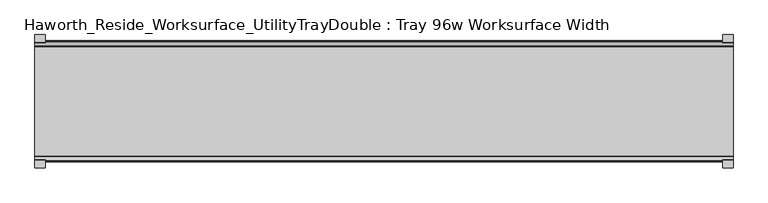
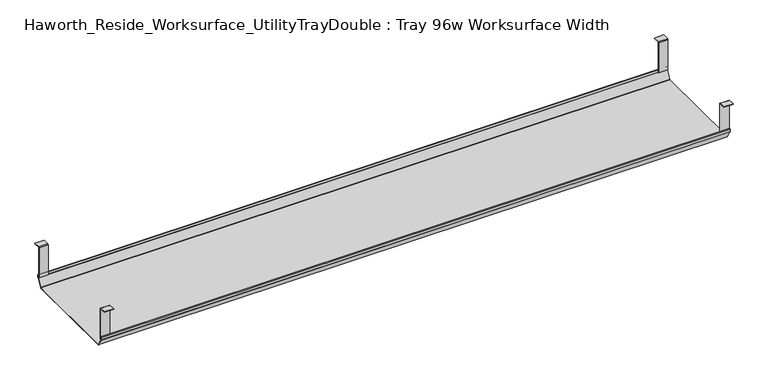
"""IFC4 building model written with IfcOpenShell, lengths in millimetres: furniture geometry, Haworth_Reside_Worksurface_UtilityTrayDouble : Tray 96w Worksurface Width."""

from ifc_helpers import new_model, si_unit, frame, origin, place, context, project, spatial, polyline, outline, extrude, source, transform, mapped, element, save


def haworth_reside_worksurface_utilitytraydouble_tray_96w_54dfe18a(model_context):
    return source(origin(), model_context, "Body", "SweptSolid", [
        extrude(outline(polyline([(-721.2228768, 731.8375), (-718.8278791, 729.4425023), (-718.8278791, 621.6649855), (-720.2248778, 621.6649855), (-720.2248778, 729.0734626), (-721.7824239, 730.6310087), (-743.0086797, 730.6310087), (-743.0086797, 731.8375), (-721.2228768, 731.8375)])), frame((1250.8991976, 0.0, 0.0), z_axis=(1.0, 0.0, 0.0), x_axis=(0.0, 1.0, 0.0)), (0.0, 0.0, 1.0), 31.8008024),
        extrude(outline(polyline([(-357.7340763, 731.8375), (-335.9482734, 731.8375), (-335.9482734, 730.6310087), (-357.1745292, 730.6310087), (-358.7320753, 729.0734626), (-358.7320753, 621.6649855), (-360.129074, 621.6649855), (-360.129074, 729.4425023), (-357.7340763, 731.8375)])), frame((1250.8991976, 0.0, 0.0), z_axis=(1.0, 0.0, 0.0), x_axis=(0.0, 1.0, 0.0)), (0.0, 0.0, 1.0), 31.8008024),
        extrude(outline(polyline([(-721.2228768, 731.8375), (-718.8278791, 729.4425023), (-718.8278791, 621.6649855), (-720.2248778, 621.6649855), (-720.2248778, 729.0734626), (-721.7824239, 730.6310087), (-743.0086797, 730.6310087), (-743.0086797, 731.8375), (-721.2228768, 731.8375)])), frame((-850.9, 0.0, 0.0), z_axis=(1.0, 0.0, 0.0), x_axis=(0.0, 1.0, 0.0)), (0.0, 0.0, 1.0), 31.8008024),
        extrude(outline(polyline([(-357.7340763, 731.8375), (-335.9482734, 731.8375), (-335.9482734, 730.6310087), (-357.1745292, 730.6310087), (-358.7320753, 729.0734626), (-358.7320753, 621.6649855), (-360.129074, 621.6649855), (-360.129074, 729.4425023), (-357.7340763, 731.8375)])), frame((-850.9, 0.0, 0.0), z_axis=(1.0, 0.0, 0.0), x_axis=(0.0, 1.0, 0.0)), (0.0, 0.0, 1.0), 31.8008024),
        extrude(outline(polyline([(-725.025475, 629.0309966), (-722.993477, 631.0629947), (-722.432211, 630.5017287), (-724.231725, 628.7022146), (-724.231725, 620.8042827), (-724.0067745, 619.9647622), (-708.9140802, 593.8234395), (-707.4787101, 592.9947272), (-371.478243, 592.9947272), (-370.0428729, 593.8234395), (-354.9501786, 619.9647622), (-354.7252281, 620.8042827), (-354.7252281, 628.7022146), (-356.5247421, 630.5017287), (-355.9634761, 631.0629947), (-353.9314781, 629.0309966), (-353.9314781, 620.6997828), (-354.2105217, 619.6583856), (-369.5353957, 593.1149156), (-371.1183815, 592.2009772), (-707.691395, 592.2009772), (-709.4951457, 593.2423744), (-724.7464314, 619.6583856), (-725.025475, 620.6997828), (-725.025475, 629.0309966)])), frame((-850.9, 0.0, 0.0), z_axis=(1.0, 0.0, 0.0), x_axis=(0.0, 1.0, 0.0)), (0.0, 0.0, 1.0), 2133.6),
    ])


if __name__ == "__main__":
    model = new_model("IFC4")
    model_context = context("Model", 3, world=origin())
    ifc_project = project(units=[si_unit("LENGTHUNIT", "METRE", prefix="MILLI")], contexts=[model_context])
    site = spatial("IfcSite", under=ifc_project)
    building = spatial("IfcBuilding", under=site)
    placement = place(None, origin())
    haworth_reside_worksurface_utilitytraydouble_tray_96w_shape = haworth_reside_worksurface_utilitytraydouble_tray_96w_54dfe18a(model_context)
    element("IfcFurniture", 1, ObjectType="Haworth_Reside_Worksurface_UtilityTrayDouble : Tray 96w Worksurface Width", at=placement, inside=building, context=model_context, shape_type="MappedRepresentation", body=[
        mapped(haworth_reside_worksurface_utilitytraydouble_tray_96w_shape, transform((0.0, 0.0, 0.0), x_axis=(1.0, 0.0, 0.0), y_axis=(0.0, 1.0, 0.0), z_axis=(0.0, 0.0, 1.0))),
    ])
    save(model, "model.ifc")
